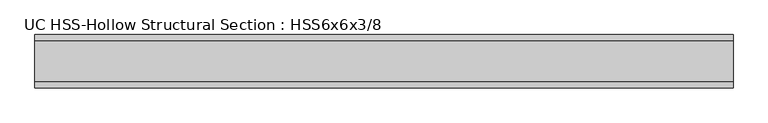
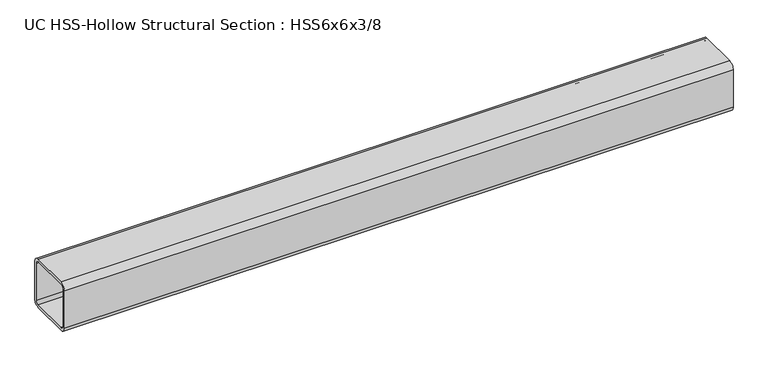
"""IFC4 building model written with IfcOpenShell, lengths in millimetres: beam geometry, UC HSS-Hollow Structural Section : HSS6x6x3/8."""

import ifcopenshell
import ifcopenshell.guid

model = None  # the IFC model being written
_history = None  # IfcOwnerHistory: only IFC2X3 demands one
_inside = {}  # id of a spatial element -> (the spatial element, [elements in it])
_under = {}  # id of a project, library or spatial element -> (it, [spatial elements below it])
_declared = {}  # id of a project -> (the project, [libraries it declares])
_typed = {}  # id of a type object -> (the type object, [elements of that type])
_made_of = {}  # id of a material, layer set ... -> (it, [elements and type objects made of it])


def new_model(schema):
    """Start an empty IFC model of exactly this schema.

    Asked for "IFC4X3", IfcOpenShell would pick the latest addendum, in which some entities
    have other attributes; the version numbers below select the first issue.
    IFC2X3 requires an IfcOwnerHistory on every rooted entity: one is made here for all.
    """
    global model, _history
    if schema == "IFC4X3":
        model = ifcopenshell.file(schema_version=(4, 3, 0, 0))
    else:
        model = ifcopenshell.file(schema=schema)
    _inside.clear()
    _under.clear()
    _declared.clear()
    _typed.clear()
    _made_of.clear()
    _history = None
    if model.schema == "IFC2X3":
        org = make("IfcOrganization", Name="unknown")
        user = make(
            "IfcPersonAndOrganization",
            ThePerson=make("IfcPerson", FamilyName="unknown"),
            TheOrganization=org,
        )
        app = make(
            "IfcApplication",
            ApplicationDeveloper=org,
            Version="unknown",
            ApplicationFullName="unknown",
            ApplicationIdentifier="unknown",
        )
        _history = make(
            "IfcOwnerHistory",
            OwningUser=user,
            OwningApplication=app,
            ChangeAction="ADDED",
            CreationDate=0,
        )
    return model


def make(cls, **values):
    """One entity of the class cls with the attributes given. An attribute that is None is left unset."""
    return model.create_entity(
        cls, **{name: value for name, value in values.items() if value is not None}
    )


def rooted(cls, **values):
    """An entity with a GlobalId (a new one), such as an element, a storey or a relation."""
    return make(cls, GlobalId=ifcopenshell.guid.new(), OwnerHistory=_history, **values)


def si_unit(unit_type, name, prefix=None):
    """IfcSIUnit, for example si_unit("LENGTHUNIT", "METRE", prefix="MILLI")."""
    return make("IfcSIUnit", UnitType=unit_type, Prefix=prefix, Name=name)


def assignment(units):
    """IfcUnitAssignment: the units of a project."""
    return None if units is None else make("IfcUnitAssignment", Units=units)


def point(xyz):
    """IfcCartesianPoint."""
    return None if xyz is None else make("IfcCartesianPoint", Coordinates=xyz)


def direction(xyz):
    """IfcDirection."""
    return None if xyz is None else make("IfcDirection", DirectionRatios=xyz)


def frame(location, z_axis=None, x_axis=None):
    """IfcAxis2Placement3D, a coordinate frame: its origin and axes. An axis left out is left unset."""
    return make(
        "IfcAxis2Placement3D",
        Location=point(location),
        Axis=direction(z_axis),
        RefDirection=direction(x_axis),
    )


def frame_2d(location, x_axis=None):
    """IfcAxis2Placement2D, a coordinate frame in the plane: its origin and x axis."""
    return make(
        "IfcAxis2Placement2D", Location=point(location), RefDirection=direction(x_axis)
    )


def origin():
    """The frame at (0, 0, 0) with its axes left unset."""
    return frame((0.0, 0.0, 0.0))


def place(relative_to, where):
    """IfcLocalPlacement: puts the frame where relative to a parent placement (None: the world)."""
    return make(
        "IfcLocalPlacement", PlacementRelTo=relative_to, RelativePlacement=where
    )


def context(
    kind, dimensions, precision=None, world=None, true_north=None, identifier=None
):
    """IfcGeometricRepresentationContext, for example the 3D "Model" context."""
    return make(
        "IfcGeometricRepresentationContext",
        ContextIdentifier=identifier,
        ContextType=kind,
        CoordinateSpaceDimension=dimensions,
        Precision=precision,
        WorldCoordinateSystem=world,
        TrueNorth=true_north,
    )


def project(units=None, contexts=None):
    """IfcProject with its units and contexts."""
    return rooted(
        "IfcProject",
        Name="project",
        RepresentationContexts=contexts,
        UnitsInContext=assignment(units),
    )


def spatial(cls, under=None, at=None, **own):
    """A site, building, storey or space (cls), placed at a placement, below another one or the project."""
    s = rooted(cls, ObjectPlacement=at, **own)
    if under is not None:
        _under.setdefault(under.id(), (under, []))[1].append(s)
    return s


def polyline(points):
    """IfcPolyline through the points."""
    return make("IfcPolyline", Points=[point(p) for p in points])


def circle_curve(where, radius):
    """IfcCircle in the frame where."""
    return make("IfcCircle", Position=where, Radius=radius)


def trimmed(basis, trim1, trim2, sense, master):
    """IfcTrimmedCurve: the piece of a basis curve between two trims."""
    return make(
        "IfcTrimmedCurve",
        BasisCurve=basis,
        Trim1=trim1,
        Trim2=trim2,
        SenseAgreement=sense,
        MasterRepresentation=master,
    )


def segment(curve, same_sense, transition):
    """IfcCompositeCurveSegment."""
    return make(
        "IfcCompositeCurveSegment",
        Transition=transition,
        SameSense=same_sense,
        ParentCurve=curve,
    )


def composite_curve(segments, self_intersect=None):
    """IfcCompositeCurve: segments joined end to end."""
    return make("IfcCompositeCurve", Segments=segments, SelfIntersect=self_intersect)


def outline(outer, holes=None, kind="AREA"):
    """IfcArbitraryClosedProfileDef: a profile drawn as a closed curve; with holes, ...WithVoids."""
    if holes is None:
        return make("IfcArbitraryClosedProfileDef", ProfileType=kind, OuterCurve=outer)
    return make(
        "IfcArbitraryProfileDefWithVoids",
        ProfileType=kind,
        OuterCurve=outer,
        InnerCurves=holes,
    )


def extrude(swept, where, along, depth):
    """IfcExtrudedAreaSolid: the profile swept, set in the frame where, extruded along a direction by depth."""
    return make(
        "IfcExtrudedAreaSolid",
        SweptArea=swept,
        Position=where,
        ExtrudedDirection=direction(along),
        Depth=depth,
    )


def shape(context_of_items, identifier, shape_type, items):
    """IfcShapeRepresentation: the items that make up one representation, for example the "Body"."""
    return make(
        "IfcShapeRepresentation",
        ContextOfItems=context_of_items,
        RepresentationIdentifier=identifier,
        RepresentationType=shape_type,
        Items=items,
    )


def source(mapping_origin, context_of_items, identifier, shape_type, items):
    """IfcRepresentationMap: a shape defined once, which mapped items show again and again."""
    return make(
        "IfcRepresentationMap",
        MappingOrigin=mapping_origin,
        MappedRepresentation=shape(context_of_items, identifier, shape_type, items),
    )


def transform(
    local_origin,
    x_axis=None,
    y_axis=None,
    z_axis=None,
    scale=None,
    scale2=None,
    scale3=None,
    uniform=True,
):
    """IfcCartesianTransformationOperator3D, or its non-uniform kind. x_axis, y_axis, z_axis: its Axis1, 2, 3."""
    if uniform:
        return make(
            "IfcCartesianTransformationOperator3D",
            Axis1=direction(x_axis),
            Axis2=direction(y_axis),
            LocalOrigin=point(local_origin),
            Scale=scale,
            Axis3=direction(z_axis),
        )
    return make(
        "IfcCartesianTransformationOperator3DnonUniform",
        Axis1=direction(x_axis),
        Axis2=direction(y_axis),
        LocalOrigin=point(local_origin),
        Scale=scale,
        Axis3=direction(z_axis),
        Scale2=scale2,
        Scale3=scale3,
    )


def mapped(mapping_source, mapping_target):
    """IfcMappedItem: shows the shape of a source again, moved by a transform."""
    return make(
        "IfcMappedItem", MappingSource=mapping_source, MappingTarget=mapping_target
    )


def made_of(thing, what):
    """Note that an element or type object is made of a material, layer set ...; save() writes the relation."""
    if what is not None:
        _made_of.setdefault(what.id(), (what, []))[1].append(thing)
    return thing


def element(
    cls,
    number,
    at=None,
    inside=None,
    cuts=None,
    type_object=None,
    material=None,
    context=None,
    identifier="Body",
    shape_type=None,
    held_by="IfcProductDefinitionShape",
    body=None,
    shapes=None,
    **own,
):
    """One element of the class cls, such as IfcWall. Its Tag is "e" and its number.

    at: its placement. inside: the storey or other place that contains it. cuts: it is an
    opening in that element (IfcRelVoidsElement). A single representation is given by context,
    identifier, shape_type and body (its items); several are given by shapes. held_by: the class
    of the entity that holds the representations. save() writes the other relations.
    """
    e = rooted(cls, Tag="e%d" % number, ObjectPlacement=at, **own)
    if body is not None:
        shapes = [shape(context, identifier, shape_type, body)]
    if shapes is not None:
        e.Representation = make(held_by, Representations=shapes)
    if inside is not None:
        _inside.setdefault(inside.id(), (inside, []))[1].append(e)
    if cuts is not None:
        rooted(
            "IfcRelVoidsElement", RelatingBuildingElement=cuts, RelatedOpeningElement=e
        )
    if type_object is not None:
        _typed.setdefault(type_object.id(), (type_object, []))[1].append(e)
    return made_of(e, material)


def aggregate(whole, parts):
    """IfcRelAggregates: a whole, such as a stair, and the parts it consists of."""
    return rooted("IfcRelAggregates", RelatingObject=whole, RelatedObjects=parts)


def save(model, path):
    """Write the relations noted so far, then the file.

    IfcRelAggregates (storeys below a building ...), IfcRelContainedInSpatialStructure (elements
    in a storey), IfcRelDefinesByType, IfcRelAssociatesMaterial and IfcRelDeclares: one each for
    every whole, place, type object, material and project.
    """
    for whole, parts in _under.values():
        aggregate(whole, parts)
    for where, things in _inside.values():
        rooted(
            "IfcRelContainedInSpatialStructure",
            RelatedElements=things,
            RelatingStructure=where,
        )
    for kind, things in _typed.values():
        rooted("IfcRelDefinesByType", RelatedObjects=things, RelatingType=kind)
    for what, things in _made_of.values():
        rooted("IfcRelAssociatesMaterial", RelatedObjects=things, RelatingMaterial=what)
    for by, libraries in _declared.values():
        rooted("IfcRelDeclares", RelatingContext=by, RelatedDefinitions=libraries)
    model.write(path)


def uc_hss_hollow_structural_section_hss6x6x3_8_9c8660eb(model_context):
    return source(origin(), model_context, "Body", "SweptSolid", [
        extrude(outline(composite_curve([segment(trimmed(circle_curve(frame_2d((-58.4708, 58.4708)), 17.7292), [point((-76.2, 58.4708))], [point((-58.4708, 76.2))], False, "CARTESIAN"), True, "CONTINUOUS"), segment(polyline([(-58.4708, 76.2), (58.4708, 76.2)]), True, "CONTINUOUS"), segment(trimmed(circle_curve(frame_2d((58.4708, 58.4708)), 17.7292), [point((58.4708, 76.2))], [point((76.2, 58.4708))], False, "CARTESIAN"), True, "CONTINUOUS"), segment(polyline([(76.2, 58.4708), (76.2, -58.4708)]), True, "CONTINUOUS"), segment(trimmed(circle_curve(frame_2d((58.4708, -58.4708)), 17.7292), [point((76.2, -58.4708))], [point((58.4708, -76.2))], False, "CARTESIAN"), True, "CONTINUOUS"), segment(polyline([(58.4708, -76.2), (-58.4708, -76.2)]), True, "CONTINUOUS"), segment(trimmed(circle_curve(frame_2d((-58.4708, -58.4708)), 17.7292), [point((-58.4708, -76.2))], [point((-76.2, -58.4708))], False, "CARTESIAN"), True, "CONTINUOUS"), segment(polyline([(-76.2, -58.4708), (-76.2, 58.4708)]), True, "CONTINUOUS")], self_intersect=False), holes=[composite_curve([segment(polyline([(58.4708, 67.3354), (-58.4708, 67.3354)]), True, "CONTINUOUS"), segment(trimmed(circle_curve(frame_2d((-58.4708, 58.4708)), 8.8646), [point((-58.4708, 67.3354))], [point((-67.3354, 58.4708))], True, "CARTESIAN"), True, "CONTINUOUS"), segment(polyline([(-67.3354, 58.4708), (-67.3354, -58.4708)]), True, "CONTINUOUS"), segment(trimmed(circle_curve(frame_2d((-58.4708, -58.4708)), 8.8646), [point((-67.3354, -58.4708))], [point((-58.4708, -67.3354))], True, "CARTESIAN"), True, "CONTINUOUS"), segment(polyline([(-58.4708, -67.3354), (58.4708, -67.3354)]), True, "CONTINUOUS"), segment(trimmed(circle_curve(frame_2d((58.4708, -58.4708)), 8.8646), [point((58.4708, -67.3354))], [point((67.3354, -58.4708))], True, "CARTESIAN"), True, "CONTINUOUS"), segment(polyline([(67.3354, -58.4708), (67.3354, 58.4708)]), True, "CONTINUOUS"), segment(trimmed(circle_curve(frame_2d((58.4708, 58.4708)), 8.8646), [point((67.3354, 58.4708))], [point((58.4708, 67.3354))], True, "CARTESIAN"), True, "CONTINUOUS")], self_intersect=False)]), frame((-1087.7141803, 0.0, 0.0), z_axis=(1.0, 0.0, 0.0), x_axis=(0.0, 1.0, 0.0)), (0.0, 0.0, 1.0), 1988.3834546),
    ])


if __name__ == "__main__":
    model = new_model("IFC4")
    model_context = context("Model", 3, world=origin())
    ifc_project = project(units=[si_unit("LENGTHUNIT", "METRE", prefix="MILLI")], contexts=[model_context])
    site = spatial("IfcSite", under=ifc_project)
    building = spatial("IfcBuilding", under=site)
    placement = place(None, origin())
    uc_hss_hollow_structural_section_hss6x6x3_8_shape = uc_hss_hollow_structural_section_hss6x6x3_8_9c8660eb(model_context)
    element("IfcBeam", 1, ObjectType="UC HSS-Hollow Structural Section : HSS6x6x3/8", at=placement, inside=building, context=model_context, shape_type="MappedRepresentation", body=[
        mapped(uc_hss_hollow_structural_section_hss6x6x3_8_shape, transform((0.0, 0.0, 0.0), x_axis=(1.0, 0.0, 0.0), y_axis=(0.0, 1.0, 0.0), z_axis=(0.0, 0.0, 1.0))),
    ])
    save(model, "model.ifc")
